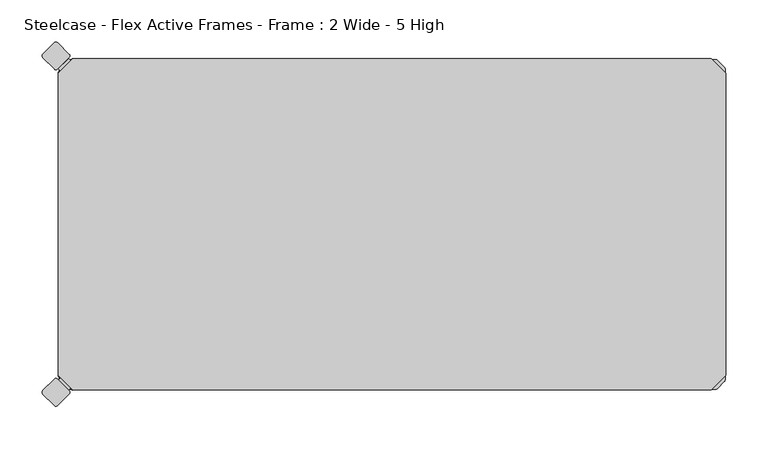
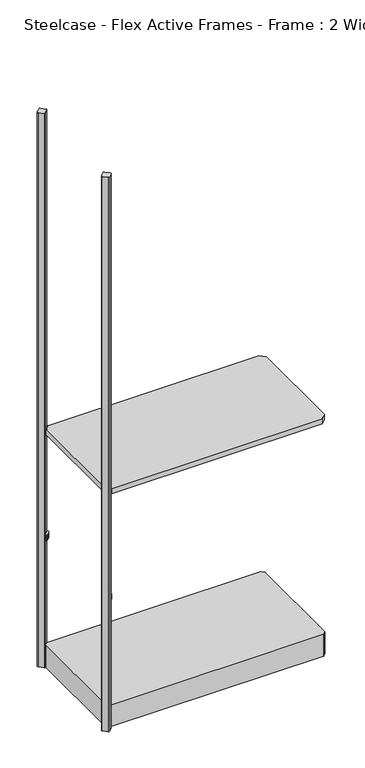
"""IFC4 building model written with IfcOpenShell, lengths in millimetres: furniture geometry, Steelcase - Flex Active Frames - Frame : 2 Wide - 5 High."""

import ifcopenshell
import ifcopenshell.guid

model = None  # the IFC model being written
_history = None  # IfcOwnerHistory: only IFC2X3 demands one
_inside = {}  # id of a spatial element -> (the spatial element, [elements in it])
_under = {}  # id of a project, library or spatial element -> (it, [spatial elements below it])
_declared = {}  # id of a project -> (the project, [libraries it declares])
_typed = {}  # id of a type object -> (the type object, [elements of that type])
_made_of = {}  # id of a material, layer set ... -> (it, [elements and type objects made of it])


def new_model(schema):
    """Start an empty IFC model of exactly this schema.

    Asked for "IFC4X3", IfcOpenShell would pick the latest addendum, in which some entities
    have other attributes; the version numbers below select the first issue.
    IFC2X3 requires an IfcOwnerHistory on every rooted entity: one is made here for all.
    """
    global model, _history
    if schema == "IFC4X3":
        model = ifcopenshell.file(schema_version=(4, 3, 0, 0))
    else:
        model = ifcopenshell.file(schema=schema)
    _inside.clear()
    _under.clear()
    _declared.clear()
    _typed.clear()
    _made_of.clear()
    _history = None
    if model.schema == "IFC2X3":
        org = make("IfcOrganization", Name="unknown")
        user = make(
            "IfcPersonAndOrganization",
            ThePerson=make("IfcPerson", FamilyName="unknown"),
            TheOrganization=org,
        )
        app = make(
            "IfcApplication",
            ApplicationDeveloper=org,
            Version="unknown",
            ApplicationFullName="unknown",
            ApplicationIdentifier="unknown",
        )
        _history = make(
            "IfcOwnerHistory",
            OwningUser=user,
            OwningApplication=app,
            ChangeAction="ADDED",
            CreationDate=0,
        )
    return model


def make(cls, **values):
    """One entity of the class cls with the attributes given. An attribute that is None is left unset."""
    return model.create_entity(
        cls, **{name: value for name, value in values.items() if value is not None}
    )


def rooted(cls, **values):
    """An entity with a GlobalId (a new one), such as an element, a storey or a relation."""
    return make(cls, GlobalId=ifcopenshell.guid.new(), OwnerHistory=_history, **values)


def si_unit(unit_type, name, prefix=None):
    """IfcSIUnit, for example si_unit("LENGTHUNIT", "METRE", prefix="MILLI")."""
    return make("IfcSIUnit", UnitType=unit_type, Prefix=prefix, Name=name)


def assignment(units):
    """IfcUnitAssignment: the units of a project."""
    return None if units is None else make("IfcUnitAssignment", Units=units)


def point(xyz):
    """IfcCartesianPoint."""
    return None if xyz is None else make("IfcCartesianPoint", Coordinates=xyz)


def direction(xyz):
    """IfcDirection."""
    return None if xyz is None else make("IfcDirection", DirectionRatios=xyz)


def frame(location, z_axis=None, x_axis=None):
    """IfcAxis2Placement3D, a coordinate frame: its origin and axes. An axis left out is left unset."""
    return make(
        "IfcAxis2Placement3D",
        Location=point(location),
        Axis=direction(z_axis),
        RefDirection=direction(x_axis),
    )


def frame_2d(location, x_axis=None):
    """IfcAxis2Placement2D, a coordinate frame in the plane: its origin and x axis."""
    return make(
        "IfcAxis2Placement2D", Location=point(location), RefDirection=direction(x_axis)
    )


def origin():
    """The frame at (0, 0, 0) with its axes left unset."""
    return frame((0.0, 0.0, 0.0))


def place(relative_to, where):
    """IfcLocalPlacement: puts the frame where relative to a parent placement (None: the world)."""
    return make(
        "IfcLocalPlacement", PlacementRelTo=relative_to, RelativePlacement=where
    )


def context(
    kind, dimensions, precision=None, world=None, true_north=None, identifier=None
):
    """IfcGeometricRepresentationContext, for example the 3D "Model" context."""
    return make(
        "IfcGeometricRepresentationContext",
        ContextIdentifier=identifier,
        ContextType=kind,
        CoordinateSpaceDimension=dimensions,
        Precision=precision,
        WorldCoordinateSystem=world,
        TrueNorth=true_north,
    )


def project(units=None, contexts=None):
    """IfcProject with its units and contexts."""
    return rooted(
        "IfcProject",
        Name="project",
        RepresentationContexts=contexts,
        UnitsInContext=assignment(units),
    )


def spatial(cls, under=None, at=None, **own):
    """A site, building, storey or space (cls), placed at a placement, below another one or the project."""
    s = rooted(cls, ObjectPlacement=at, **own)
    if under is not None:
        _under.setdefault(under.id(), (under, []))[1].append(s)
    return s


def polyline(points):
    """IfcPolyline through the points."""
    return make("IfcPolyline", Points=[point(p) for p in points])


def circle_curve(where, radius):
    """IfcCircle in the frame where."""
    return make("IfcCircle", Position=where, Radius=radius)


def trimmed(basis, trim1, trim2, sense, master):
    """IfcTrimmedCurve: the piece of a basis curve between two trims."""
    return make(
        "IfcTrimmedCurve",
        BasisCurve=basis,
        Trim1=trim1,
        Trim2=trim2,
        SenseAgreement=sense,
        MasterRepresentation=master,
    )


def segment(curve, same_sense, transition):
    """IfcCompositeCurveSegment."""
    return make(
        "IfcCompositeCurveSegment",
        Transition=transition,
        SameSense=same_sense,
        ParentCurve=curve,
    )


def composite_curve(segments, self_intersect=None):
    """IfcCompositeCurve: segments joined end to end."""
    return make("IfcCompositeCurve", Segments=segments, SelfIntersect=self_intersect)


def outline(outer, holes=None, kind="AREA"):
    """IfcArbitraryClosedProfileDef: a profile drawn as a closed curve; with holes, ...WithVoids."""
    if holes is None:
        return make("IfcArbitraryClosedProfileDef", ProfileType=kind, OuterCurve=outer)
    return make(
        "IfcArbitraryProfileDefWithVoids",
        ProfileType=kind,
        OuterCurve=outer,
        InnerCurves=holes,
    )


def extrude(swept, where, along, depth):
    """IfcExtrudedAreaSolid: the profile swept, set in the frame where, extruded along a direction by depth."""
    return make(
        "IfcExtrudedAreaSolid",
        SweptArea=swept,
        Position=where,
        ExtrudedDirection=direction(along),
        Depth=depth,
    )


def shape(context_of_items, identifier, shape_type, items):
    """IfcShapeRepresentation: the items that make up one representation, for example the "Body"."""
    return make(
        "IfcShapeRepresentation",
        ContextOfItems=context_of_items,
        RepresentationIdentifier=identifier,
        RepresentationType=shape_type,
        Items=items,
    )


def source(mapping_origin, context_of_items, identifier, shape_type, items):
    """IfcRepresentationMap: a shape defined once, which mapped items show again and again."""
    return make(
        "IfcRepresentationMap",
        MappingOrigin=mapping_origin,
        MappedRepresentation=shape(context_of_items, identifier, shape_type, items),
    )


def transform(
    local_origin,
    x_axis=None,
    y_axis=None,
    z_axis=None,
    scale=None,
    scale2=None,
    scale3=None,
    uniform=True,
):
    """IfcCartesianTransformationOperator3D, or its non-uniform kind. x_axis, y_axis, z_axis: its Axis1, 2, 3."""
    if uniform:
        return make(
            "IfcCartesianTransformationOperator3D",
            Axis1=direction(x_axis),
            Axis2=direction(y_axis),
            LocalOrigin=point(local_origin),
            Scale=scale,
            Axis3=direction(z_axis),
        )
    return make(
        "IfcCartesianTransformationOperator3DnonUniform",
        Axis1=direction(x_axis),
        Axis2=direction(y_axis),
        LocalOrigin=point(local_origin),
        Scale=scale,
        Axis3=direction(z_axis),
        Scale2=scale2,
        Scale3=scale3,
    )


def mapped(mapping_source, mapping_target):
    """IfcMappedItem: shows the shape of a source again, moved by a transform."""
    return make(
        "IfcMappedItem", MappingSource=mapping_source, MappingTarget=mapping_target
    )


def made_of(thing, what):
    """Note that an element or type object is made of a material, layer set ...; save() writes the relation."""
    if what is not None:
        _made_of.setdefault(what.id(), (what, []))[1].append(thing)
    return thing


def element(
    cls,
    number,
    at=None,
    inside=None,
    cuts=None,
    type_object=None,
    material=None,
    context=None,
    identifier="Body",
    shape_type=None,
    held_by="IfcProductDefinitionShape",
    body=None,
    shapes=None,
    **own,
):
    """One element of the class cls, such as IfcWall. Its Tag is "e" and its number.

    at: its placement. inside: the storey or other place that contains it. cuts: it is an
    opening in that element (IfcRelVoidsElement). A single representation is given by context,
    identifier, shape_type and body (its items); several are given by shapes. held_by: the class
    of the entity that holds the representations. save() writes the other relations.
    """
    e = rooted(cls, Tag="e%d" % number, ObjectPlacement=at, **own)
    if body is not None:
        shapes = [shape(context, identifier, shape_type, body)]
    if shapes is not None:
        e.Representation = make(held_by, Representations=shapes)
    if inside is not None:
        _inside.setdefault(inside.id(), (inside, []))[1].append(e)
    if cuts is not None:
        rooted(
            "IfcRelVoidsElement", RelatingBuildingElement=cuts, RelatedOpeningElement=e
        )
    if type_object is not None:
        _typed.setdefault(type_object.id(), (type_object, []))[1].append(e)
    return made_of(e, material)


def aggregate(whole, parts):
    """IfcRelAggregates: a whole, such as a stair, and the parts it consists of."""
    return rooted("IfcRelAggregates", RelatingObject=whole, RelatedObjects=parts)


def save(model, path):
    """Write the relations noted so far, then the file.

    IfcRelAggregates (storeys below a building ...), IfcRelContainedInSpatialStructure (elements
    in a storey), IfcRelDefinesByType, IfcRelAssociatesMaterial and IfcRelDeclares: one each for
    every whole, place, type object, material and project.
    """
    for whole, parts in _under.values():
        aggregate(whole, parts)
    for where, things in _inside.values():
        rooted(
            "IfcRelContainedInSpatialStructure",
            RelatedElements=things,
            RelatingStructure=where,
        )
    for kind, things in _typed.values():
        rooted("IfcRelDefinesByType", RelatedObjects=things, RelatingType=kind)
    for what, things in _made_of.values():
        rooted("IfcRelAssociatesMaterial", RelatedObjects=things, RelatingMaterial=what)
    for by, libraries in _declared.values():
        rooted("IfcRelDeclares", RelatingContext=by, RelatedDefinitions=libraries)
    model.write(path)


def steelcase_flex_active_frames_frame_2_wide_5_high_bd6991da(model_context):
    return source(origin(), model_context, "Body", "SweptSolid", [
        extrude(outline(composite_curve([segment(polyline([(14.1435643, -1.93874), (16.1135271, 0.0311996), (17.21346, 0.0189911), (16.8478877, -2.7161946)]), True, "CONTINUOUS"), segment(trimmed(circle_curve(frame_2d((10.5538564, -1.8749633)), 6.35), [point((16.8478877, -2.7161946))], [point((15.0440146, -6.3650612))], False, "CARTESIAN"), True, "CONTINUOUS"), segment(polyline([(15.0440146, -6.3650612), (6.3747216, -15.0344708)]), True, "CONTINUOUS"), segment(trimmed(circle_curve(frame_2d((1.8845634, -10.5443729)), 6.35), [point((6.3747216, -15.0344708))], [point((2.7256188, -16.8384277))], False, "CARTESIAN"), True, "CONTINUOUS"), segment(polyline([(2.7256188, -16.8384277), (-0.0095198, -17.203916), (-0.0217057, -16.1038431), (1.949228, -14.1329326), (-0.1387028, -12.044977), (12.0555989, 0.1493247), (14.1435643, -1.93874)]), True, "CONTINUOUS")], self_intersect=False)), frame((0.0, 0.0, 496.4821468), z_axis=(0.0, 0.0, 1.0), x_axis=(1.0, 0.0, 0.0)), (0.0, 0.0, 1.0), 20.2281258),
        extrude(outline(composite_curve([segment(polyline([(14.1435643, -392.01526), (12.0555989, -394.1033247), (-0.1387028, -381.909023), (1.949228, -379.8210674), (-0.0217057, -377.8501569), (-0.0095198, -376.750084), (2.7256188, -377.1155723)]), True, "CONTINUOUS"), segment(trimmed(circle_curve(frame_2d((1.8845634, -383.4096271)), 6.35), [point((2.7256188, -377.1155723))], [point((6.3747216, -378.9195292))], False, "CARTESIAN"), True, "CONTINUOUS"), segment(polyline([(6.3747216, -378.9195292), (15.0440146, -387.5889388)]), True, "CONTINUOUS"), segment(trimmed(circle_curve(frame_2d((10.5538564, -392.0790367)), 6.35), [point((15.0440146, -387.5889388))], [point((16.8478877, -391.2378054))], False, "CARTESIAN"), True, "CONTINUOUS"), segment(polyline([(16.8478877, -391.2378054), (17.21346, -393.9729911), (16.1135271, -393.9851996), (14.1435643, -392.01526)]), True, "CONTINUOUS")], self_intersect=False)), frame((0.0, 0.0, 496.4821468), z_axis=(0.0, 0.0, 1.0), x_axis=(1.0, 0.0, 0.0)), (0.0, 0.0, 1.0), 20.2281258),
        extrude(outline(polyline([(0.0003876, -376.7599914), (0.0003876, -17.1940086), (17.1943962, 0.0), (775.2856038, 0.0), (792.4796124, -17.1940086), (792.4796124, -376.7599914), (775.2856038, -393.954), (17.1943962, -393.954), (0.0003876, -376.7599914)])), frame((0.0, 0.0, 897.4997719), z_axis=(0.0, 0.0, 1.0), x_axis=(1.0, 0.0, 0.0)), (0.0, 0.0, 1.0), 19.0000031),
        extrude(outline(composite_curve([segment(polyline([(14.1435643, -1.93874), (16.1135271, 0.0311996), (17.21346, 0.0189911), (16.8478877, -2.7161946)]), True, "CONTINUOUS"), segment(trimmed(circle_curve(frame_2d((10.5538564, -1.8749633)), 6.35), [point((16.8478877, -2.7161946))], [point((15.0440146, -6.3650612))], False, "CARTESIAN"), True, "CONTINUOUS"), segment(polyline([(15.0440146, -6.3650612), (6.3747216, -15.0344708)]), True, "CONTINUOUS"), segment(trimmed(circle_curve(frame_2d((1.8845634, -10.5443729)), 6.35), [point((6.3747216, -15.0344708))], [point((2.7256188, -16.8384277))], False, "CARTESIAN"), True, "CONTINUOUS"), segment(polyline([(2.7256188, -16.8384277), (-0.0095198, -17.203916), (-0.0217057, -16.1038431), (1.949228, -14.1329326), (-0.1387028, -12.044977), (12.0555989, 0.1493247), (14.1435643, -1.93874)]), True, "CONTINUOUS")], self_intersect=False)), frame((0.0, 0.0, 896.4822952), z_axis=(0.0, 0.0, 1.0), x_axis=(1.0, 0.0, 0.0)), (0.0, 0.0, 1.0), 20.2281258),
        extrude(outline(composite_curve([segment(polyline([(14.1435643, -392.01526), (12.0555989, -394.1033247), (-0.1387028, -381.909023), (1.949228, -379.8210674), (-0.0217057, -377.8501569), (-0.0095198, -376.750084), (2.7256188, -377.1155723)]), True, "CONTINUOUS"), segment(trimmed(circle_curve(frame_2d((1.8845634, -383.4096271)), 6.35), [point((2.7256188, -377.1155723))], [point((6.3747216, -378.9195292))], False, "CARTESIAN"), True, "CONTINUOUS"), segment(polyline([(6.3747216, -378.9195292), (15.0440146, -387.5889388)]), True, "CONTINUOUS"), segment(trimmed(circle_curve(frame_2d((10.5538564, -392.0790367)), 6.35), [point((15.0440146, -387.5889388))], [point((16.8478877, -391.2378054))], False, "CARTESIAN"), True, "CONTINUOUS"), segment(polyline([(16.8478877, -391.2378054), (17.21346, -393.9729911), (16.1135271, -393.9851996), (14.1435643, -392.01526)]), True, "CONTINUOUS")], self_intersect=False)), frame((0.0, 0.0, 896.4822952), z_axis=(0.0, 0.0, 1.0), x_axis=(1.0, 0.0, 0.0)), (0.0, 0.0, 1.0), 20.2281258),
        extrude(outline(composite_curve([segment(polyline([(12.155908, -1.0018273), (780.3465262, -1.0019264)]), True, "CONTINUOUS"), segment(trimmed(circle_curve(frame_2d((780.3240926, -3.5418273)), 2.54), [point((780.3465262, -1.0019264))], [point((782.1201439, -1.7457761))], False, "CARTESIAN"), True, "CONTINUOUS"), segment(polyline([(782.1201439, -1.7457761), (790.7284839, -10.3541161)]), True, "CONTINUOUS"), segment(trimmed(circle_curve(frame_2d((788.9324327, -12.1501673)), 2.54), [point((790.7284839, -10.3541161))], [point((791.4724327, -12.1501687))], False, "CARTESIAN"), True, "CONTINUOUS"), segment(polyline([(791.4724327, -12.1501687), (791.4722349, -381.8355295)]), True, "CONTINUOUS"), segment(trimmed(circle_curve(frame_2d((788.9324327, -381.8038327)), 2.54), [point((791.4722349, -381.8355295))], [point((790.7284839, -383.5998839))], False, "CARTESIAN"), True, "CONTINUOUS"), segment(polyline([(790.7284839, -383.5998839), (782.1201439, -392.2082239)]), True, "CONTINUOUS"), segment(trimmed(circle_curve(frame_2d((780.3240926, -390.4121727)), 2.54), [point((782.1201439, -392.2082239))], [point((780.3465262, -392.9520736))], False, "CARTESIAN"), True, "CONTINUOUS"), segment(polyline([(780.3465262, -392.9520736), (12.155908, -392.9521727)]), True, "CONTINUOUS"), segment(trimmed(circle_curve(frame_2d((12.1559074, -390.4121727)), 2.54), [point((12.155908, -392.9521727))], [point((10.3598561, -392.2082239))], False, "CARTESIAN"), True, "CONTINUOUS"), segment(polyline([(10.3598561, -392.2082239), (1.7515161, -383.5998839)]), True, "CONTINUOUS"), segment(trimmed(circle_curve(frame_2d((3.5475673, -381.8038327)), 2.54), [point((1.7515161, -383.5998839))], [point((1.0077651, -381.8355295))], False, "CARTESIAN"), True, "CONTINUOUS"), segment(polyline([(1.0077651, -381.8355295), (1.0075673, -12.1501687)]), True, "CONTINUOUS"), segment(trimmed(circle_curve(frame_2d((3.5475673, -12.1501673)), 2.54), [point((1.0075673, -12.1501687))], [point((1.7515161, -10.3541161))], False, "CARTESIAN"), True, "CONTINUOUS"), segment(polyline([(1.7515161, -10.3541161), (10.3598561, -1.7457761)]), True, "CONTINUOUS"), segment(trimmed(circle_curve(frame_2d((12.1559074, -3.5418273)), 2.54), [point((10.3598561, -1.7457761))], [point((12.155908, -1.0018273))], False, "CARTESIAN"), True, "CONTINUOUS")], self_intersect=False)), frame((0.0, 0.0, 12.5999909), z_axis=(0.0, 0.0, 1.0), x_axis=(1.0, 0.0, 0.0)), (0.0, 0.0, 1.0), 82.39977),
        extrude(outline(composite_curve([segment(polyline([(-18.5290767, 5.1536029), (-5.1665297, 18.5163124)]), True, "CONTINUOUS"), segment(trimmed(circle_curve(frame_2d((-3.0112551, 16.3610641)), 3.048), [point((-5.1665297, 18.5163124))], [point((-0.8559936, 18.5163256))], False, "CARTESIAN"), True, "CONTINUOUS"), segment(polyline([(-0.8559936, 18.5163256), (12.5067035, 5.1536284)]), True, "CONTINUOUS"), segment(trimmed(circle_curve(frame_2d((10.351442, 2.998367)), 3.048), [point((12.5067035, 5.1536284))], [point((12.5067144, 0.8431164))], False, "CARTESIAN"), True, "CONTINUOUS"), segment(polyline([(12.5067144, 0.8431164), (-0.8557649, -12.5194983)]), True, "CONTINUOUS"), segment(trimmed(circle_curve(frame_2d((-3.0110373, -10.3642478)), 3.048), [point((-0.8557649, -12.5194983))], [point((-5.1662856, -12.5195224))], False, "CARTESIAN"), True, "CONTINUOUS"), segment(polyline([(-5.1662856, -12.5195224), (-18.5290505, 0.8430799)]), True, "CONTINUOUS"), segment(trimmed(circle_curve(frame_2d((-16.3738021, 2.9983545)), 3.048), [point((-18.5290505, 0.8430799))], [point((-18.5290767, 5.1536029))], False, "CARTESIAN"), True, "CONTINUOUS")], self_intersect=False)), frame((0.0, 0.0, 12.5999909), z_axis=(0.0, 0.0, 1.0), x_axis=(1.0, 0.0, 0.0)), (0.0, 0.0, 1.0), 2103.9820091),
        extrude(outline(composite_curve([segment(trimmed(circle_curve(frame_2d((-16.3738021, -396.9523545)), 3.048), [point((-18.5290767, -399.1076029))], [point((-18.5290505, -394.7970799))], False, "CARTESIAN"), True, "CONTINUOUS"), segment(polyline([(-18.5290505, -394.7970799), (-5.1662856, -381.4344776)]), True, "CONTINUOUS"), segment(trimmed(circle_curve(frame_2d((-3.0110373, -383.5897522)), 3.048), [point((-5.1662856, -381.4344776))], [point((-0.8557649, -381.4345017))], False, "CARTESIAN"), True, "CONTINUOUS"), segment(polyline([(-0.8557649, -381.4345017), (12.5067144, -394.7971164)]), True, "CONTINUOUS"), segment(trimmed(circle_curve(frame_2d((10.351442, -396.952367)), 3.048), [point((12.5067144, -394.7971164))], [point((12.5067035, -399.1076284))], False, "CARTESIAN"), True, "CONTINUOUS"), segment(polyline([(12.5067035, -399.1076284), (-0.8559936, -412.4703256)]), True, "CONTINUOUS"), segment(trimmed(circle_curve(frame_2d((-3.0112551, -410.3150641)), 3.048), [point((-0.8559936, -412.4703256))], [point((-5.1665297, -412.4703124))], False, "CARTESIAN"), True, "CONTINUOUS"), segment(polyline([(-5.1665297, -412.4703124), (-18.5290767, -399.1076029)]), True, "CONTINUOUS")], self_intersect=False)), frame((0.0, 0.0, 12.5999909), z_axis=(0.0, 0.0, 1.0), x_axis=(1.0, 0.0, 0.0)), (0.0, 0.0, 1.0), 2103.9820091),
    ])


if __name__ == "__main__":
    model = new_model("IFC4")
    model_context = context("Model", 3, world=origin())
    ifc_project = project(units=[si_unit("LENGTHUNIT", "METRE", prefix="MILLI")], contexts=[model_context])
    site = spatial("IfcSite", under=ifc_project)
    building = spatial("IfcBuilding", under=site)
    placement = place(None, origin())
    steelcase_flex_active_frames_frame_2_wide_5_high_shape = steelcase_flex_active_frames_frame_2_wide_5_high_bd6991da(model_context)
    element("IfcFurniture", 1, ObjectType="Steelcase - Flex Active Frames - Frame : 2 Wide - 5 High", at=placement, inside=building, context=model_context, shape_type="MappedRepresentation", body=[
        mapped(steelcase_flex_active_frames_frame_2_wide_5_high_shape, transform((0.0, 0.0, 0.0), x_axis=(1.0, 0.0, 0.0), y_axis=(0.0, 1.0, 0.0), z_axis=(0.0, 0.0, 1.0))),
    ])
    save(model, "model.ifc")
